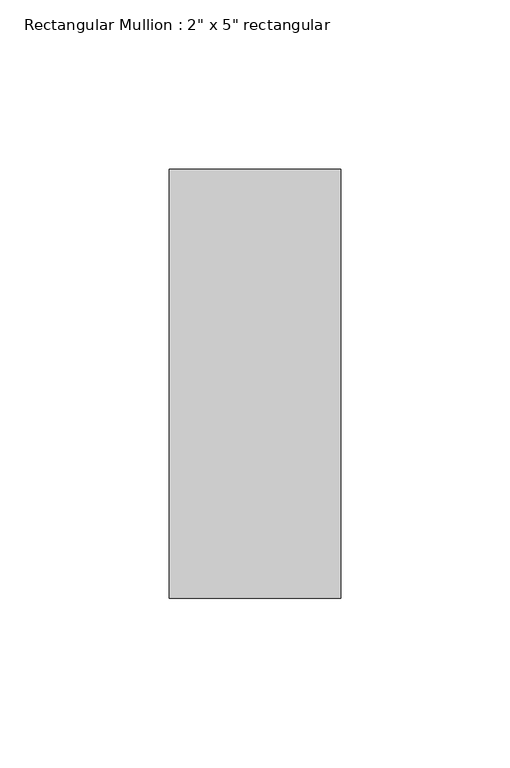
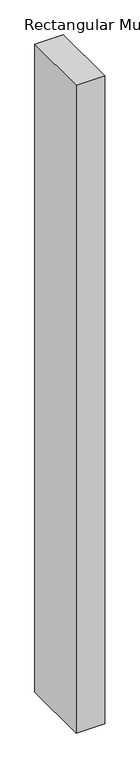
"""IFC4 building model written with IfcOpenShell, lengths in millimetres: member geometry."""

from ifc_helpers import new_model, si_unit, frame, origin, place, context, project, spatial, polyline, outline, extrude, source, transform, mapped, element, save


def member_4d912c4f(model_context):
    return source(origin(), model_context, "Body", "SweptSolid", [
        extrude(outline(polyline([(0.0, 63.5), (0.0, -63.5), (-50.8, -63.5), (-50.8, 63.5), (0.0, 63.5)])), frame((0.0, 0.0, -1219.2), z_axis=(0.0, 0.0, 1.0), x_axis=(1.0, 0.0, 0.0)), (0.0, 0.0, 1.0), 1219.2),
    ])


if __name__ == "__main__":
    model = new_model("IFC4")
    model_context = context("Model", 3, world=origin())
    ifc_project = project(units=[si_unit("LENGTHUNIT", "METRE", prefix="MILLI")], contexts=[model_context])
    site = spatial("IfcSite", under=ifc_project)
    building = spatial("IfcBuilding", under=site)
    placement = place(None, origin())
    member_shape = member_4d912c4f(model_context)
    element("IfcMember", 1, ObjectType="Rectangular Mullion : 2\" x 5\" rectangular", at=placement, inside=building, context=model_context, shape_type="MappedRepresentation", body=[
        mapped(member_shape, transform((0.0, 0.0, 0.0), x_axis=(1.0, 0.0, 0.0), y_axis=(0.0, 1.0, 0.0), z_axis=(0.0, 0.0, 1.0))),
    ])
    save(model, "model.ifc")
